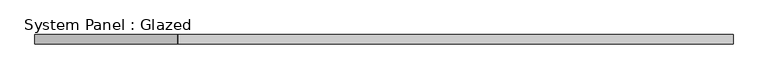
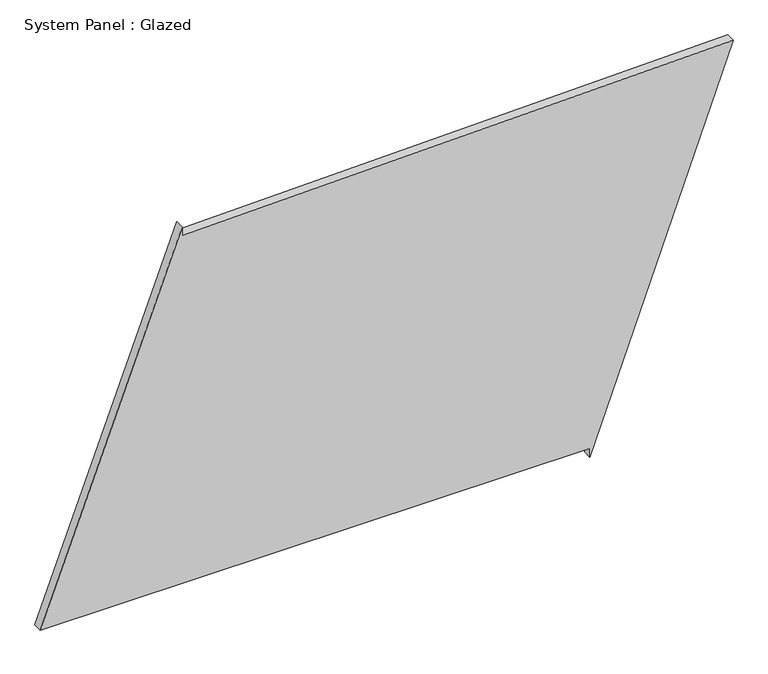
"""IFC4 building model written with IfcOpenShell, lengths in millimetres: plate geometry, System Panel : Glazed."""

from ifc_helpers import new_model, si_unit, frame, origin, place, context, project, spatial, polyline, outline, extrude, source, transform, mapped, element, save


def system_panel_glazed_9b753210(model_context):
    return source(origin(), model_context, "Body", "SweptSolid", [
        extrude(outline(polyline([(25.0, 548.4228622), (0.0, 548.4228622), (1055.4256857, 935.0592361), (1018.0723365, -551.713782), (1043.0644501, -552.3416783), (25.0, -935.0592361), (25.0, 548.4228622)])), frame((0.0, -49.5, 0.0), z_axis=(0.0, 1.0, 0.0), x_axis=(0.0, 0.0, 1.0)), (0.0, 0.0, 1.0), 25.0),
    ])


if __name__ == "__main__":
    model = new_model("IFC4")
    model_context = context("Model", 3, world=origin())
    ifc_project = project(units=[si_unit("LENGTHUNIT", "METRE", prefix="MILLI")], contexts=[model_context])
    site = spatial("IfcSite", under=ifc_project)
    building = spatial("IfcBuilding", under=site)
    placement = place(None, origin())
    system_panel_glazed_shape = system_panel_glazed_9b753210(model_context)
    element("IfcPlate", 1, ObjectType="System Panel : Glazed", at=placement, inside=building, context=model_context, shape_type="MappedRepresentation", body=[
        mapped(system_panel_glazed_shape, transform((0.0, 0.0, 0.0), x_axis=(1.0, 0.0, 0.0), y_axis=(0.0, 1.0, 0.0), z_axis=(0.0, 0.0, 1.0))),
    ])
    save(model, "model.ifc")
